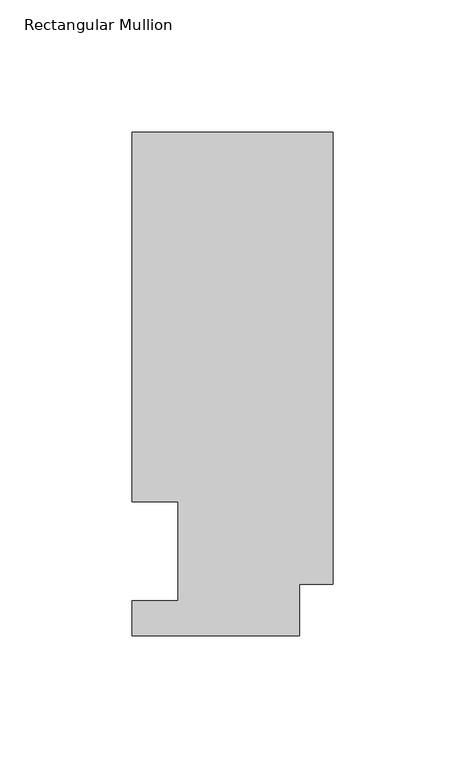
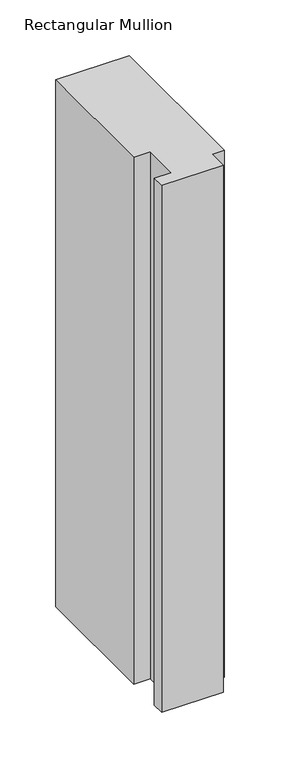
"""IFC4 building model written with IfcOpenShell, lengths in millimetres: member geometry, Rectangular Mullion."""

from ifc_helpers import new_model, si_unit, frame, origin, place, context, project, spatial, polyline, outline, extrude, source, transform, mapped, element, save


def rectangular_mullion_d9875fdb(model_context):
    return source(origin(), model_context, "Body", "SweptSolid", [
        extrude(outline(polyline([(0.0, 190.7881313), (0.0, 19.5667313), (-12.6999999, 19.5667313), (-12.6999999, 0.041758), (-76.1999999, 0.041758), (-76.1999999, 13.224358), (-58.7677108, 13.224358), (-58.7677108, 50.820278), (-76.2, 50.820278), (-76.2, 190.7881313), (0.0, 190.7881313)])), frame((0.0, 0.0, -577.8499996), z_axis=(0.0, 0.0, 1.0), x_axis=(1.0, 0.0, 0.0)), (0.0, 0.0, 1.0), 577.8499996),
    ])


if __name__ == "__main__":
    model = new_model("IFC4")
    model_context = context("Model", 3, world=origin())
    ifc_project = project(units=[si_unit("LENGTHUNIT", "METRE", prefix="MILLI")], contexts=[model_context])
    site = spatial("IfcSite", under=ifc_project)
    building = spatial("IfcBuilding", under=site)
    placement = place(None, origin())
    rectangular_mullion_shape = rectangular_mullion_d9875fdb(model_context)
    element("IfcMember", 1, ObjectType="Rectangular Mullion", at=placement, inside=building, context=model_context, shape_type="MappedRepresentation", body=[
        mapped(rectangular_mullion_shape, transform((0.0, 0.0, 0.0), x_axis=(1.0, 0.0, 0.0), y_axis=(0.0, 1.0, 0.0), z_axis=(0.0, 0.0, 1.0))),
    ])
    save(model, "model.ifc")
